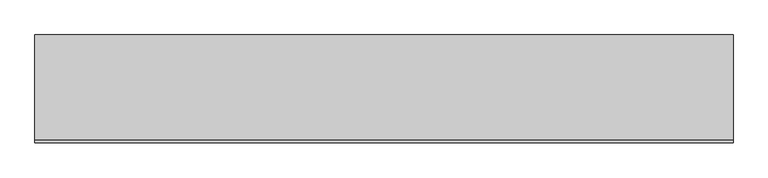
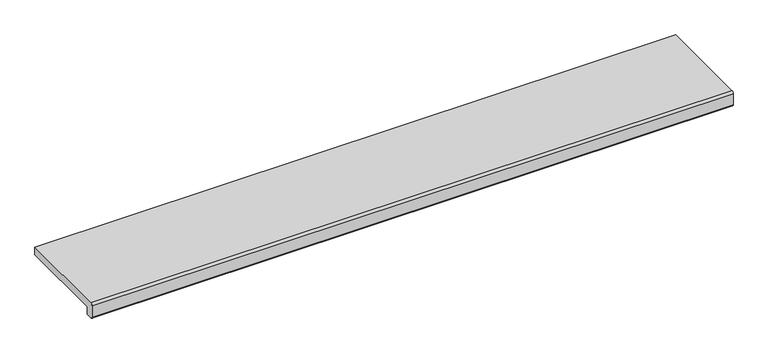
"""IFC4 building model written with IfcOpenShell, lengths in millimetres: proxy geometry."""

from ifc_helpers import new_model, si_unit, point, frame, frame_2d, origin, place, context, project, spatial, polyline, circle_curve, trimmed, segment, composite_curve, outline, extrude, source, transform, mapped, element, save


def generic_models_f62b46bc(model_context):
    return source(origin(), model_context, "Body", "SweptSolid", [
        extrude(outline(composite_curve([segment(polyline([(-245.0, 30.0), (0.0, 30.0), (0.0, 10.0), (-230.0, 10.0), (-230.0, -10.0), (-245.0, -10.0)]), True, "CONTINUOUS"), segment(trimmed(circle_curve(frame_2d((-245.0, -5.0)), 5.0), [point((-245.0, -10.0))], [point((-250.0, -5.0))], False, "CARTESIAN"), True, "CONTINUOUS"), segment(polyline([(-250.0, -5.0), (-250.0, 25.0)]), True, "CONTINUOUS"), segment(trimmed(circle_curve(frame_2d((-245.0, 25.0)), 5.0), [point((-250.0, 25.0))], [point((-245.0, 30.0))], False, "CARTESIAN"), True, "CONTINUOUS")], self_intersect=False)), frame((-810.0, 0.0, 0.0), z_axis=(1.0, 0.0, 0.0), x_axis=(0.0, 1.0, 0.0)), (0.0, 0.0, 1.0), 1620.0),
    ])


if __name__ == "__main__":
    model = new_model("IFC4")
    model_context = context("Model", 3, world=origin())
    ifc_project = project(units=[si_unit("LENGTHUNIT", "METRE", prefix="MILLI")], contexts=[model_context])
    site = spatial("IfcSite", under=ifc_project)
    building = spatial("IfcBuilding", under=site)
    placement = place(None, origin())
    generic_models_shape = generic_models_f62b46bc(model_context)
    element("IfcBuildingElementProxy", 1, Name="Generic Models", at=placement, inside=building, context=model_context, shape_type="MappedRepresentation", body=[
        mapped(generic_models_shape, transform((0.0, 0.0, 0.0), x_axis=(1.0, 0.0, 0.0), y_axis=(0.0, 1.0, 0.0), z_axis=(0.0, 0.0, 1.0))),
    ])
    save(model, "model.ifc")
